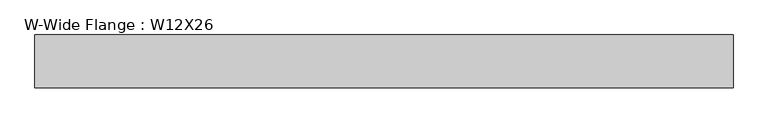
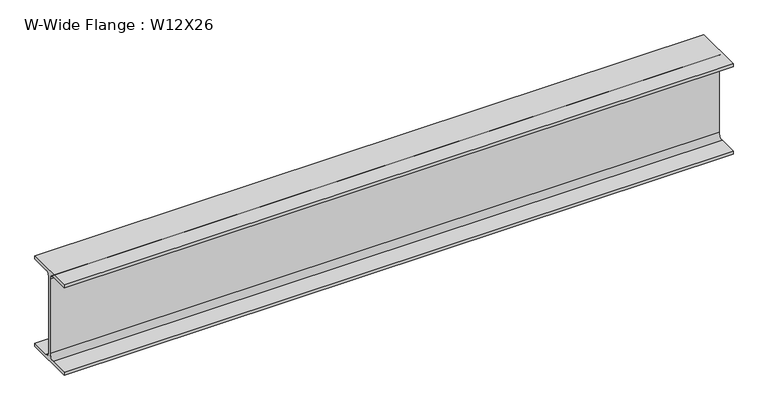
"""IFC4 building model written with IfcOpenShell, lengths in millimetres: beam geometry, W-Wide Flange : W12X26."""

import ifcopenshell
import ifcopenshell.guid

model = None  # the IFC model being written
_history = None  # IfcOwnerHistory: only IFC2X3 demands one
_inside = {}  # id of a spatial element -> (the spatial element, [elements in it])
_under = {}  # id of a project, library or spatial element -> (it, [spatial elements below it])
_declared = {}  # id of a project -> (the project, [libraries it declares])
_typed = {}  # id of a type object -> (the type object, [elements of that type])
_made_of = {}  # id of a material, layer set ... -> (it, [elements and type objects made of it])


def new_model(schema):
    """Start an empty IFC model of exactly this schema.

    Asked for "IFC4X3", IfcOpenShell would pick the latest addendum, in which some entities
    have other attributes; the version numbers below select the first issue.
    IFC2X3 requires an IfcOwnerHistory on every rooted entity: one is made here for all.
    """
    global model, _history
    if schema == "IFC4X3":
        model = ifcopenshell.file(schema_version=(4, 3, 0, 0))
    else:
        model = ifcopenshell.file(schema=schema)
    _inside.clear()
    _under.clear()
    _declared.clear()
    _typed.clear()
    _made_of.clear()
    _history = None
    if model.schema == "IFC2X3":
        org = make("IfcOrganization", Name="unknown")
        user = make(
            "IfcPersonAndOrganization",
            ThePerson=make("IfcPerson", FamilyName="unknown"),
            TheOrganization=org,
        )
        app = make(
            "IfcApplication",
            ApplicationDeveloper=org,
            Version="unknown",
            ApplicationFullName="unknown",
            ApplicationIdentifier="unknown",
        )
        _history = make(
            "IfcOwnerHistory",
            OwningUser=user,
            OwningApplication=app,
            ChangeAction="ADDED",
            CreationDate=0,
        )
    return model


def make(cls, **values):
    """One entity of the class cls with the attributes given. An attribute that is None is left unset."""
    return model.create_entity(
        cls, **{name: value for name, value in values.items() if value is not None}
    )


def rooted(cls, **values):
    """An entity with a GlobalId (a new one), such as an element, a storey or a relation."""
    return make(cls, GlobalId=ifcopenshell.guid.new(), OwnerHistory=_history, **values)


def si_unit(unit_type, name, prefix=None):
    """IfcSIUnit, for example si_unit("LENGTHUNIT", "METRE", prefix="MILLI")."""
    return make("IfcSIUnit", UnitType=unit_type, Prefix=prefix, Name=name)


def assignment(units):
    """IfcUnitAssignment: the units of a project."""
    return None if units is None else make("IfcUnitAssignment", Units=units)


def point(xyz):
    """IfcCartesianPoint."""
    return None if xyz is None else make("IfcCartesianPoint", Coordinates=xyz)


def direction(xyz):
    """IfcDirection."""
    return None if xyz is None else make("IfcDirection", DirectionRatios=xyz)


def frame(location, z_axis=None, x_axis=None):
    """IfcAxis2Placement3D, a coordinate frame: its origin and axes. An axis left out is left unset."""
    return make(
        "IfcAxis2Placement3D",
        Location=point(location),
        Axis=direction(z_axis),
        RefDirection=direction(x_axis),
    )


def frame_2d(location, x_axis=None):
    """IfcAxis2Placement2D, a coordinate frame in the plane: its origin and x axis."""
    return make(
        "IfcAxis2Placement2D", Location=point(location), RefDirection=direction(x_axis)
    )


def origin():
    """The frame at (0, 0, 0) with its axes left unset."""
    return frame((0.0, 0.0, 0.0))


def place(relative_to, where):
    """IfcLocalPlacement: puts the frame where relative to a parent placement (None: the world)."""
    return make(
        "IfcLocalPlacement", PlacementRelTo=relative_to, RelativePlacement=where
    )


def context(
    kind, dimensions, precision=None, world=None, true_north=None, identifier=None
):
    """IfcGeometricRepresentationContext, for example the 3D "Model" context."""
    return make(
        "IfcGeometricRepresentationContext",
        ContextIdentifier=identifier,
        ContextType=kind,
        CoordinateSpaceDimension=dimensions,
        Precision=precision,
        WorldCoordinateSystem=world,
        TrueNorth=true_north,
    )


def project(units=None, contexts=None):
    """IfcProject with its units and contexts."""
    return rooted(
        "IfcProject",
        Name="project",
        RepresentationContexts=contexts,
        UnitsInContext=assignment(units),
    )


def spatial(cls, under=None, at=None, **own):
    """A site, building, storey or space (cls), placed at a placement, below another one or the project."""
    s = rooted(cls, ObjectPlacement=at, **own)
    if under is not None:
        _under.setdefault(under.id(), (under, []))[1].append(s)
    return s


def polyline(points):
    """IfcPolyline through the points."""
    return make("IfcPolyline", Points=[point(p) for p in points])


def circle_curve(where, radius):
    """IfcCircle in the frame where."""
    return make("IfcCircle", Position=where, Radius=radius)


def trimmed(basis, trim1, trim2, sense, master):
    """IfcTrimmedCurve: the piece of a basis curve between two trims."""
    return make(
        "IfcTrimmedCurve",
        BasisCurve=basis,
        Trim1=trim1,
        Trim2=trim2,
        SenseAgreement=sense,
        MasterRepresentation=master,
    )


def segment(curve, same_sense, transition):
    """IfcCompositeCurveSegment."""
    return make(
        "IfcCompositeCurveSegment",
        Transition=transition,
        SameSense=same_sense,
        ParentCurve=curve,
    )


def composite_curve(segments, self_intersect=None):
    """IfcCompositeCurve: segments joined end to end."""
    return make("IfcCompositeCurve", Segments=segments, SelfIntersect=self_intersect)


def outline(outer, holes=None, kind="AREA"):
    """IfcArbitraryClosedProfileDef: a profile drawn as a closed curve; with holes, ...WithVoids."""
    if holes is None:
        return make("IfcArbitraryClosedProfileDef", ProfileType=kind, OuterCurve=outer)
    return make(
        "IfcArbitraryProfileDefWithVoids",
        ProfileType=kind,
        OuterCurve=outer,
        InnerCurves=holes,
    )


def extrude(swept, where, along, depth):
    """IfcExtrudedAreaSolid: the profile swept, set in the frame where, extruded along a direction by depth."""
    return make(
        "IfcExtrudedAreaSolid",
        SweptArea=swept,
        Position=where,
        ExtrudedDirection=direction(along),
        Depth=depth,
    )


def shape(context_of_items, identifier, shape_type, items):
    """IfcShapeRepresentation: the items that make up one representation, for example the "Body"."""
    return make(
        "IfcShapeRepresentation",
        ContextOfItems=context_of_items,
        RepresentationIdentifier=identifier,
        RepresentationType=shape_type,
        Items=items,
    )


def source(mapping_origin, context_of_items, identifier, shape_type, items):
    """IfcRepresentationMap: a shape defined once, which mapped items show again and again."""
    return make(
        "IfcRepresentationMap",
        MappingOrigin=mapping_origin,
        MappedRepresentation=shape(context_of_items, identifier, shape_type, items),
    )


def transform(
    local_origin,
    x_axis=None,
    y_axis=None,
    z_axis=None,
    scale=None,
    scale2=None,
    scale3=None,
    uniform=True,
):
    """IfcCartesianTransformationOperator3D, or its non-uniform kind. x_axis, y_axis, z_axis: its Axis1, 2, 3."""
    if uniform:
        return make(
            "IfcCartesianTransformationOperator3D",
            Axis1=direction(x_axis),
            Axis2=direction(y_axis),
            LocalOrigin=point(local_origin),
            Scale=scale,
            Axis3=direction(z_axis),
        )
    return make(
        "IfcCartesianTransformationOperator3DnonUniform",
        Axis1=direction(x_axis),
        Axis2=direction(y_axis),
        LocalOrigin=point(local_origin),
        Scale=scale,
        Axis3=direction(z_axis),
        Scale2=scale2,
        Scale3=scale3,
    )


def mapped(mapping_source, mapping_target):
    """IfcMappedItem: shows the shape of a source again, moved by a transform."""
    return make(
        "IfcMappedItem", MappingSource=mapping_source, MappingTarget=mapping_target
    )


def made_of(thing, what):
    """Note that an element or type object is made of a material, layer set ...; save() writes the relation."""
    if what is not None:
        _made_of.setdefault(what.id(), (what, []))[1].append(thing)
    return thing


def element(
    cls,
    number,
    at=None,
    inside=None,
    cuts=None,
    type_object=None,
    material=None,
    context=None,
    identifier="Body",
    shape_type=None,
    held_by="IfcProductDefinitionShape",
    body=None,
    shapes=None,
    **own,
):
    """One element of the class cls, such as IfcWall. Its Tag is "e" and its number.

    at: its placement. inside: the storey or other place that contains it. cuts: it is an
    opening in that element (IfcRelVoidsElement). A single representation is given by context,
    identifier, shape_type and body (its items); several are given by shapes. held_by: the class
    of the entity that holds the representations. save() writes the other relations.
    """
    e = rooted(cls, Tag="e%d" % number, ObjectPlacement=at, **own)
    if body is not None:
        shapes = [shape(context, identifier, shape_type, body)]
    if shapes is not None:
        e.Representation = make(held_by, Representations=shapes)
    if inside is not None:
        _inside.setdefault(inside.id(), (inside, []))[1].append(e)
    if cuts is not None:
        rooted(
            "IfcRelVoidsElement", RelatingBuildingElement=cuts, RelatedOpeningElement=e
        )
    if type_object is not None:
        _typed.setdefault(type_object.id(), (type_object, []))[1].append(e)
    return made_of(e, material)


def aggregate(whole, parts):
    """IfcRelAggregates: a whole, such as a stair, and the parts it consists of."""
    return rooted("IfcRelAggregates", RelatingObject=whole, RelatedObjects=parts)


def save(model, path):
    """Write the relations noted so far, then the file.

    IfcRelAggregates (storeys below a building ...), IfcRelContainedInSpatialStructure (elements
    in a storey), IfcRelDefinesByType, IfcRelAssociatesMaterial and IfcRelDeclares: one each for
    every whole, place, type object, material and project.
    """
    for whole, parts in _under.values():
        aggregate(whole, parts)
    for where, things in _inside.values():
        rooted(
            "IfcRelContainedInSpatialStructure",
            RelatedElements=things,
            RelatingStructure=where,
        )
    for kind, things in _typed.values():
        rooted("IfcRelDefinesByType", RelatedObjects=things, RelatingType=kind)
    for what, things in _made_of.values():
        rooted("IfcRelAssociatesMaterial", RelatedObjects=things, RelatingMaterial=what)
    for by, libraries in _declared.values():
        rooted("IfcRelDeclares", RelatingContext=by, RelatedDefinitions=libraries)
    model.write(path)


def w_wide_flange_w12x26_b6af4d14(model_context):
    return source(origin(), model_context, "Body", "SweptSolid", [
        extrude(outline(composite_curve([segment(polyline([(82.4011719, -145.5539063), (82.4011719, -155.178125), (-82.4011719, -155.178125), (-82.4011719, -145.5539063), (-20.2902344, -145.5539063)]), True, "CONTINUOUS"), segment(trimmed(circle_curve(frame_2d((-20.2902344, -128.190625)), 17.3632812), [point((-20.2902344, -145.5539063))], [point((-2.9269531, -128.190625))], True, "CARTESIAN"), True, "CONTINUOUS"), segment(polyline([(-2.9269531, -128.190625), (-2.9269531, 128.190625)]), True, "CONTINUOUS"), segment(trimmed(circle_curve(frame_2d((-20.2902344, 128.190625)), 17.3632812), [point((-2.9269531, 128.190625))], [point((-20.2902344, 145.5539062))], True, "CARTESIAN"), True, "CONTINUOUS"), segment(polyline([(-20.2902344, 145.5539062), (-82.4011719, 145.5539062), (-82.4011719, 155.178125), (82.4011719, 155.178125), (82.4011719, 145.5539062), (20.2902344, 145.5539062)]), True, "CONTINUOUS"), segment(trimmed(circle_curve(frame_2d((20.2902344, 128.190625)), 17.3632812), [point((20.2902344, 145.5539062))], [point((2.9269531, 128.190625))], True, "CARTESIAN"), True, "CONTINUOUS"), segment(polyline([(2.9269531, 128.190625), (2.9269531, -128.190625)]), True, "CONTINUOUS"), segment(trimmed(circle_curve(frame_2d((20.2902344, -128.190625)), 17.3632812), [point((2.9269531, -128.190625))], [point((20.2902344, -145.5539063))], True, "CARTESIAN"), True, "CONTINUOUS"), segment(polyline([(20.2902344, -145.5539063), (82.4011719, -145.5539063)]), True, "CONTINUOUS")], self_intersect=False)), frame((-1089.8079337, 0.0, 0.0), z_axis=(1.0, 0.0, 0.0), x_axis=(0.0, 1.0, 0.0)), (0.0, 0.0, 1.0), 2179.6158674),
    ])


if __name__ == "__main__":
    model = new_model("IFC4")
    model_context = context("Model", 3, world=origin())
    ifc_project = project(units=[si_unit("LENGTHUNIT", "METRE", prefix="MILLI")], contexts=[model_context])
    site = spatial("IfcSite", under=ifc_project)
    building = spatial("IfcBuilding", under=site)
    placement = place(None, origin())
    w_wide_flange_w12x26_shape = w_wide_flange_w12x26_b6af4d14(model_context)
    element("IfcBeam", 1, ObjectType="W-Wide Flange : W12X26", at=placement, inside=building, context=model_context, shape_type="MappedRepresentation", body=[
        mapped(w_wide_flange_w12x26_shape, transform((0.0, 0.0, 0.0), x_axis=(1.0, 0.0, 0.0), y_axis=(0.0, 1.0, 0.0), z_axis=(0.0, 0.0, 1.0))),
    ])
    save(model, "model.ifc")
